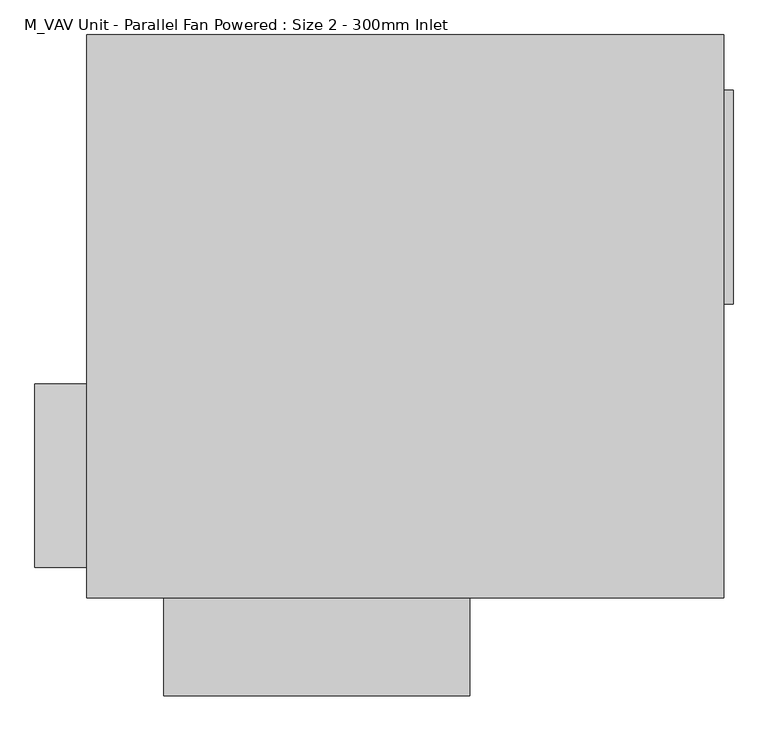
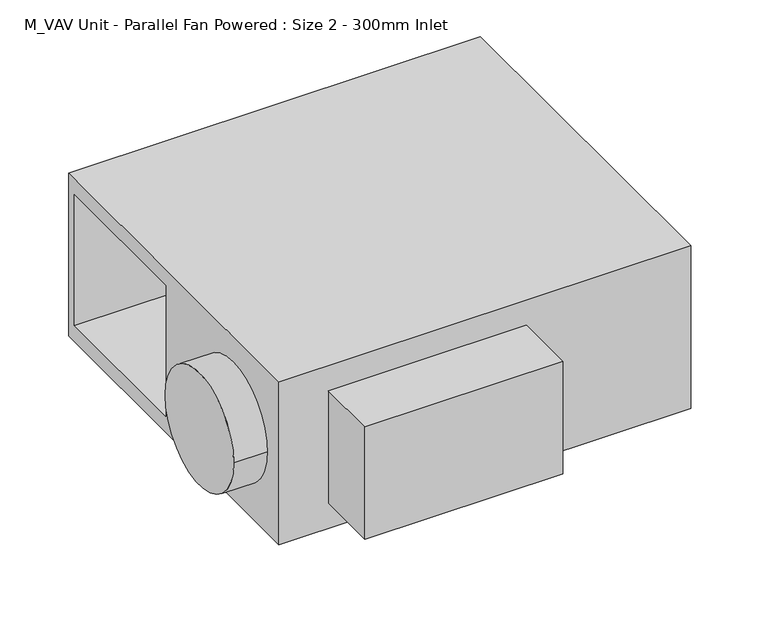
"""IFC4 building model written with IfcOpenShell, lengths in millimetres: proxy geometry, M_VAV Unit - Parallel Fan Powered : Size 2 - 300mm Inlet."""

from ifc_helpers import new_model, si_unit, point, frame, frame_2d, origin, place, context, project, spatial, polyline, circle_curve, trimmed, segment, composite_curve, outline, extrude, faceted_brep, source, transform, mapped, element, save


def m_vav_unit_parallel_fan_powered_size_2_300mm_inlet_e8f8f702(model_context):
    return source(origin(), model_context, "Body", "SolidModel", [
        extrude(outline(polyline([(535.0, 20.0), (519.1125, 20.0), (519.1125, 370.0), (535.0, 370.0), (535.0, 20.0)])), frame((0.0, 0.0, -140.0), z_axis=(0.0, 0.0, 1.0), x_axis=(1.0, 0.0, 0.0)), (0.0, 0.0, 1.0), 280.0),
        extrude(outline(polyline([(105.0, -460.0), (105.0, -620.0), (-395.0, -620.0), (-395.0, -460.0), (105.0, -460.0)])), frame((0.0, 0.0, -150.0), z_axis=(0.0, 0.0, 1.0), x_axis=(1.0, 0.0, 0.0)), (0.0, 0.0, 1.0), 300.0),
        extrude(outline(composite_curve([segment(trimmed(circle_curve(frame_2d((-260.0, 0.0)), 150.0), [point((-110.0, 0.0))], [point((-410.0, 0.0))], False, "CARTESIAN"), True, "CONTINUOUS"), segment(trimmed(circle_curve(frame_2d((-260.0, 0.0)), 150.0), [point((-410.0, 0.0))], [point((-110.0, 0.0))], False, "CARTESIAN"), True, "CONTINUOUS")], self_intersect=False)), frame((-605.0, 0.0, 0.0), z_axis=(1.0, 0.0, 0.0), x_axis=(0.0, 1.0, 0.0)), (0.0, 0.0, 1.0), 85.0),
        faceted_brep([(520.0, -460.0, 217.5), (520.0, 460.0, 217.5), (-520.0, 460.0, 217.5), (-520.0, -460.0, 217.5), (520.0, -460.0, -217.5), (-520.0, -460.0, -217.5), (-520.0, 460.0, -217.5), (520.0, 460.0, -217.5), (-520.0, 435.0, 175.0), (-520.0, 35.0, 175.0), (-520.0, 35.0, -175.0), (-520.0, 435.0, -175.0), (0.0, 435.0, 175.0), (0.0, 435.0, -175.0), (0.0, 35.0, -175.0), (0.0, 35.0, 175.0)], [[[0, 1, 2, 3]], [[4, 5, 6, 7]], [[3, 5, 4, 0]], [[2, 6, 5, 3], [8, 9, 10, 11]], [[1, 7, 6, 2]], [[0, 4, 7, 1]], [[12, 13, 14, 15]], [[12, 8, 11, 13]], [[13, 11, 10, 14]], [[14, 10, 9, 15]], [[15, 9, 8, 12]]]),
    ])


if __name__ == "__main__":
    model = new_model("IFC4")
    model_context = context("Model", 3, world=origin())
    ifc_project = project(units=[si_unit("LENGTHUNIT", "METRE", prefix="MILLI")], contexts=[model_context])
    site = spatial("IfcSite", under=ifc_project)
    building = spatial("IfcBuilding", under=site)
    placement = place(None, origin())
    m_vav_unit_parallel_fan_powered_size_2_300mm_inlet_shape = m_vav_unit_parallel_fan_powered_size_2_300mm_inlet_e8f8f702(model_context)
    element("IfcBuildingElementProxy", 1, Name="M_VAV Unit - Parallel Fan Powered : Size 2 - 300mm Inlet", ObjectType="M_VAV Unit - Parallel Fan Powered : Size 2 - 300mm Inlet", at=placement, inside=building, context=model_context, shape_type="MappedRepresentation", body=[
        mapped(m_vav_unit_parallel_fan_powered_size_2_300mm_inlet_shape, transform((0.0, 0.0, 0.0), x_axis=(1.0, 0.0, 0.0), y_axis=(0.0, 1.0, 0.0), z_axis=(0.0, 0.0, 1.0))),
    ])
    save(model, "model.ifc")
